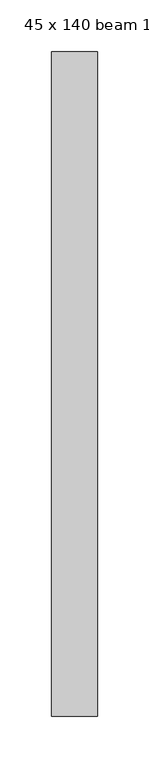
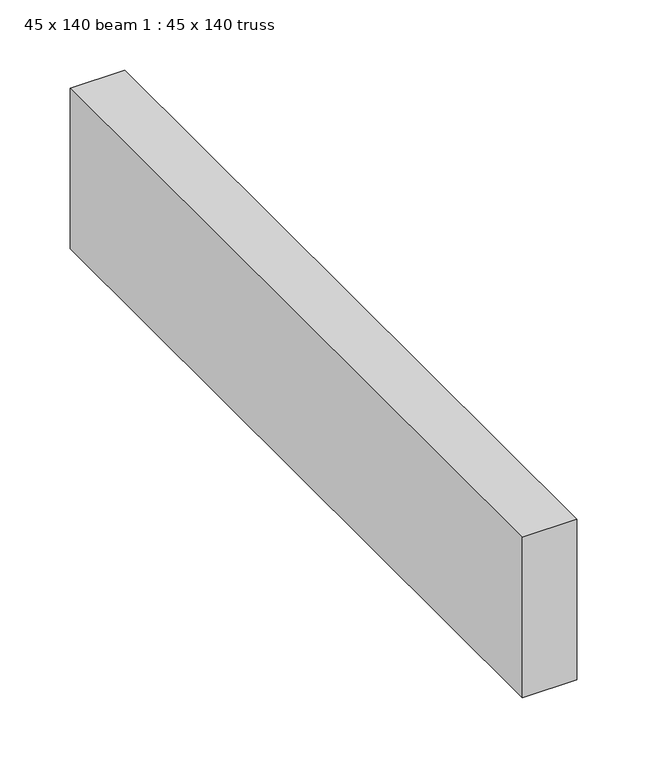
"""IFC4 building model written with IfcOpenShell, lengths in millimetres: proxy geometry, 45 x 140 beam 1 : 45 x 140 truss."""

from ifc_helpers import new_model, si_unit, frame, origin, place, context, project, spatial, polyline, outline, extrude, source, transform, mapped, element, save


def proxy_45_x_140_beam_1_45_x_140_truss_ef6e4821(model_context):
    return source(origin(), model_context, "Body", "SweptSolid", [
        extrude(outline(polyline([(-11578.9072818, -1336.8874768), (-11623.9072818, -1336.8874768), (-11623.9072818, -691.8874768), (-11578.9072818, -691.8874768), (-11578.9072818, -1336.8874768)])), frame((0.0, 0.0, 3644.2452806), z_axis=(0.0, 0.0, 1.0), x_axis=(1.0, 0.0, 0.0)), (0.0, 0.0, 1.0), 140.0),
    ])


if __name__ == "__main__":
    model = new_model("IFC4")
    model_context = context("Model", 3, world=origin())
    ifc_project = project(units=[si_unit("LENGTHUNIT", "METRE", prefix="MILLI")], contexts=[model_context])
    site = spatial("IfcSite", under=ifc_project)
    building = spatial("IfcBuilding", under=site)
    placement = place(None, origin())
    proxy_45_x_140_beam_1_45_x_140_truss_shape = proxy_45_x_140_beam_1_45_x_140_truss_ef6e4821(model_context)
    element("IfcBuildingElementProxy", 1, Name="45 x 140 beam 1 : 45 x 140 truss", ObjectType="45 x 140 beam 1 : 45 x 140 truss", at=placement, inside=building, context=model_context, shape_type="MappedRepresentation", body=[
        mapped(proxy_45_x_140_beam_1_45_x_140_truss_shape, transform((0.0, 0.0, 0.0), x_axis=(1.0, 0.0, 0.0), y_axis=(0.0, 1.0, 0.0), z_axis=(0.0, 0.0, 1.0))),
    ])
    save(model, "model.ifc")
